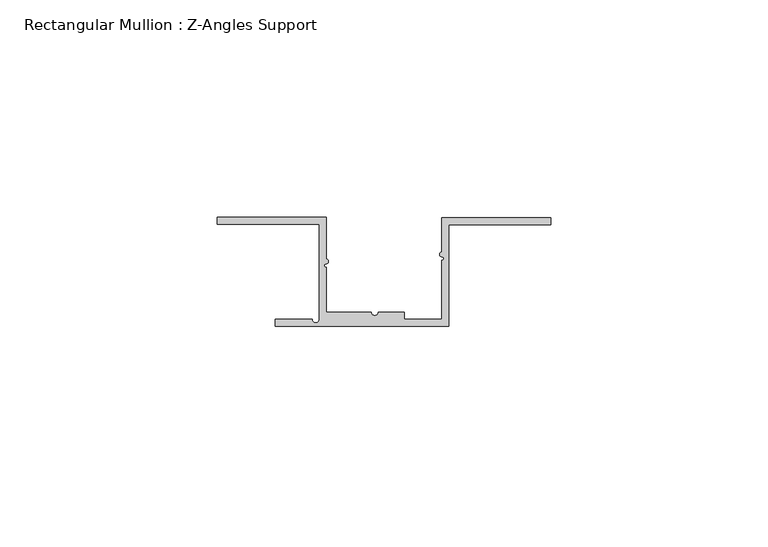
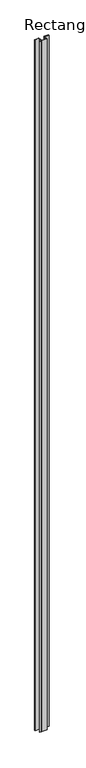
"""IFC4 building model written with IfcOpenShell, lengths in millimetres: member geometry, Rectangular Mullion : Z-Angles Support."""

from ifc_helpers import new_model, si_unit, point, frame, frame_2d, origin, place, context, project, spatial, polyline, circle_curve, trimmed, segment, composite_curve, outline, extrude, source, transform, mapped, element, save


def rectangular_mullion_z_angles_support_c56f3177(model_context):
    return source(origin(), model_context, "Body", "SweptSolid", [
        extrude(outline(composite_curve([segment(polyline([(-8.2822457, 25.0804186), (-8.2822457, 15.4942032)]), True, "CONTINUOUS"), segment(trimmed(circle_curve(frame_2d((-8.2822457, 14.9339397)), 0.5602635), [point((-8.2822457, 15.4942032))], [point((-8.2822457, 14.3736763))], False, "CARTESIAN"), True, "CONTINUOUS"), segment(trimmed(circle_curve(frame_2d((-8.2822457, 13.9621553)), 0.411521), [point((-8.2822457, 14.3736763))], [point((-8.2822457, 13.5506343))], True, "CARTESIAN"), True, "CONTINUOUS"), segment(polyline([(-8.2822457, 13.5506343), (-8.2822457, 3.2804186), (2.1247985, 3.2804186)]), True, "CONTINUOUS"), segment(trimmed(circle_curve(frame_2d((2.9247985, 3.2804186)), 0.8), [point((2.1247985, 3.2804186))], [point((3.7247985, 3.2804186))], True, "CARTESIAN"), True, "CONTINUOUS"), segment(polyline([(3.7247985, 3.2804186), (9.7177543, 3.2804186), (9.7177543, 1.6), (18.4, 1.6), (18.4, 15.1583216)]), True, "CONTINUOUS"), segment(trimmed(circle_curve(frame_2d((18.4, 15.5698425)), 0.411521), [point((18.4, 15.1583216))], [point((18.4, 15.9813635))], True, "CARTESIAN"), True, "CONTINUOUS"), segment(trimmed(circle_curve(frame_2d((18.4, 16.541627)), 0.5602635), [point((18.4, 15.9813635))], [point((18.4, 17.1018905))], False, "CARTESIAN"), True, "CONTINUOUS"), segment(polyline([(18.4, 17.1018905), (18.4, 25.0), (43.4, 25.0), (43.4, 23.4), (20.0, 23.4), (20.0, 0.0), (-20.0, 0.0), (-20.0, 1.6), (-11.4572315, 1.6)]), True, "CONTINUOUS"), segment(trimmed(circle_curve(frame_2d((-10.6572315, 1.6)), 0.8), [point((-11.4572315, 1.6))], [point((-9.8822457, 1.7984868))], True, "CARTESIAN"), True, "CONTINUOUS"), segment(polyline([(-9.8822457, 1.7984868), (-9.8822457, 23.4804186), (-33.2822457, 23.4804186), (-33.2822457, 25.0804186), (-8.2822457, 25.0804186)]), True, "CONTINUOUS")], self_intersect=False)), frame((0.0, 0.0, -4000.0), z_axis=(0.0, 0.0, 1.0), x_axis=(1.0, 0.0, 0.0)), (0.0, 0.0, 1.0), 4000.0),
    ])


if __name__ == "__main__":
    model = new_model("IFC4")
    model_context = context("Model", 3, world=origin())
    ifc_project = project(units=[si_unit("LENGTHUNIT", "METRE", prefix="MILLI")], contexts=[model_context])
    site = spatial("IfcSite", under=ifc_project)
    building = spatial("IfcBuilding", under=site)
    placement = place(None, origin())
    rectangular_mullion_z_angles_support_shape = rectangular_mullion_z_angles_support_c56f3177(model_context)
    element("IfcMember", 1, ObjectType="Rectangular Mullion : Z-Angles Support", at=placement, inside=building, context=model_context, shape_type="MappedRepresentation", body=[
        mapped(rectangular_mullion_z_angles_support_shape, transform((0.0, 0.0, 0.0), x_axis=(1.0, 0.0, 0.0), y_axis=(0.0, 1.0, 0.0), z_axis=(0.0, 0.0, 1.0))),
    ])
    save(model, "model.ifc")
